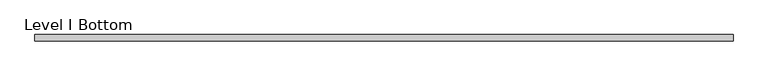
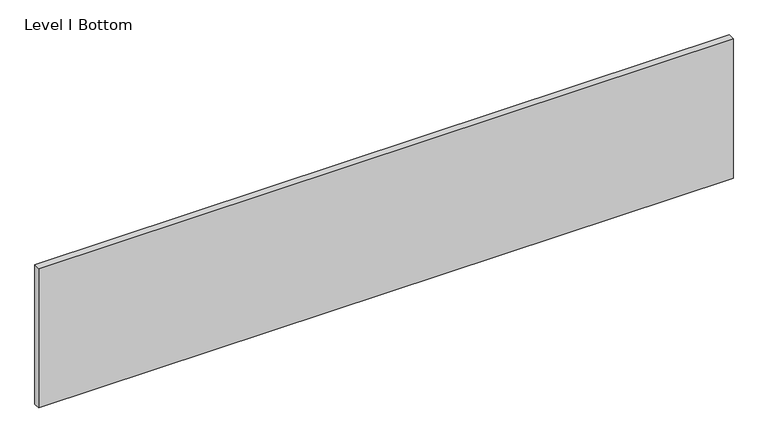
"""IFC4 building model written with IfcOpenShell, lengths in millimetres: proxy geometry, Level I Bottom."""

import ifcopenshell
import ifcopenshell.guid

model = None  # the IFC model being written
_history = None  # IfcOwnerHistory: only IFC2X3 demands one
_inside = {}  # id of a spatial element -> (the spatial element, [elements in it])
_under = {}  # id of a project, library or spatial element -> (it, [spatial elements below it])
_declared = {}  # id of a project -> (the project, [libraries it declares])
_typed = {}  # id of a type object -> (the type object, [elements of that type])
_made_of = {}  # id of a material, layer set ... -> (it, [elements and type objects made of it])


def new_model(schema):
    """Start an empty IFC model of exactly this schema.

    Asked for "IFC4X3", IfcOpenShell would pick the latest addendum, in which some entities
    have other attributes; the version numbers below select the first issue.
    IFC2X3 requires an IfcOwnerHistory on every rooted entity: one is made here for all.
    """
    global model, _history
    if schema == "IFC4X3":
        model = ifcopenshell.file(schema_version=(4, 3, 0, 0))
    else:
        model = ifcopenshell.file(schema=schema)
    _inside.clear()
    _under.clear()
    _declared.clear()
    _typed.clear()
    _made_of.clear()
    _history = None
    if model.schema == "IFC2X3":
        org = make("IfcOrganization", Name="unknown")
        user = make(
            "IfcPersonAndOrganization",
            ThePerson=make("IfcPerson", FamilyName="unknown"),
            TheOrganization=org,
        )
        app = make(
            "IfcApplication",
            ApplicationDeveloper=org,
            Version="unknown",
            ApplicationFullName="unknown",
            ApplicationIdentifier="unknown",
        )
        _history = make(
            "IfcOwnerHistory",
            OwningUser=user,
            OwningApplication=app,
            ChangeAction="ADDED",
            CreationDate=0,
        )
    return model


def make(cls, **values):
    """One entity of the class cls with the attributes given. An attribute that is None is left unset."""
    return model.create_entity(
        cls, **{name: value for name, value in values.items() if value is not None}
    )


def rooted(cls, **values):
    """An entity with a GlobalId (a new one), such as an element, a storey or a relation."""
    return make(cls, GlobalId=ifcopenshell.guid.new(), OwnerHistory=_history, **values)


def si_unit(unit_type, name, prefix=None):
    """IfcSIUnit, for example si_unit("LENGTHUNIT", "METRE", prefix="MILLI")."""
    return make("IfcSIUnit", UnitType=unit_type, Prefix=prefix, Name=name)


def assignment(units):
    """IfcUnitAssignment: the units of a project."""
    return None if units is None else make("IfcUnitAssignment", Units=units)


def point(xyz):
    """IfcCartesianPoint."""
    return None if xyz is None else make("IfcCartesianPoint", Coordinates=xyz)


def direction(xyz):
    """IfcDirection."""
    return None if xyz is None else make("IfcDirection", DirectionRatios=xyz)


def frame(location, z_axis=None, x_axis=None):
    """IfcAxis2Placement3D, a coordinate frame: its origin and axes. An axis left out is left unset."""
    return make(
        "IfcAxis2Placement3D",
        Location=point(location),
        Axis=direction(z_axis),
        RefDirection=direction(x_axis),
    )


def origin():
    """The frame at (0, 0, 0) with its axes left unset."""
    return frame((0.0, 0.0, 0.0))


def place(relative_to, where):
    """IfcLocalPlacement: puts the frame where relative to a parent placement (None: the world)."""
    return make(
        "IfcLocalPlacement", PlacementRelTo=relative_to, RelativePlacement=where
    )


def context(
    kind, dimensions, precision=None, world=None, true_north=None, identifier=None
):
    """IfcGeometricRepresentationContext, for example the 3D "Model" context."""
    return make(
        "IfcGeometricRepresentationContext",
        ContextIdentifier=identifier,
        ContextType=kind,
        CoordinateSpaceDimension=dimensions,
        Precision=precision,
        WorldCoordinateSystem=world,
        TrueNorth=true_north,
    )


def project(units=None, contexts=None):
    """IfcProject with its units and contexts."""
    return rooted(
        "IfcProject",
        Name="project",
        RepresentationContexts=contexts,
        UnitsInContext=assignment(units),
    )


def spatial(cls, under=None, at=None, **own):
    """A site, building, storey or space (cls), placed at a placement, below another one or the project."""
    s = rooted(cls, ObjectPlacement=at, **own)
    if under is not None:
        _under.setdefault(under.id(), (under, []))[1].append(s)
    return s


def polyline(points):
    """IfcPolyline through the points."""
    return make("IfcPolyline", Points=[point(p) for p in points])


def outline(outer, holes=None, kind="AREA"):
    """IfcArbitraryClosedProfileDef: a profile drawn as a closed curve; with holes, ...WithVoids."""
    if holes is None:
        return make("IfcArbitraryClosedProfileDef", ProfileType=kind, OuterCurve=outer)
    return make(
        "IfcArbitraryProfileDefWithVoids",
        ProfileType=kind,
        OuterCurve=outer,
        InnerCurves=holes,
    )


def extrude(swept, where, along, depth):
    """IfcExtrudedAreaSolid: the profile swept, set in the frame where, extruded along a direction by depth."""
    return make(
        "IfcExtrudedAreaSolid",
        SweptArea=swept,
        Position=where,
        ExtrudedDirection=direction(along),
        Depth=depth,
    )


def shape(context_of_items, identifier, shape_type, items):
    """IfcShapeRepresentation: the items that make up one representation, for example the "Body"."""
    return make(
        "IfcShapeRepresentation",
        ContextOfItems=context_of_items,
        RepresentationIdentifier=identifier,
        RepresentationType=shape_type,
        Items=items,
    )


def source(mapping_origin, context_of_items, identifier, shape_type, items):
    """IfcRepresentationMap: a shape defined once, which mapped items show again and again."""
    return make(
        "IfcRepresentationMap",
        MappingOrigin=mapping_origin,
        MappedRepresentation=shape(context_of_items, identifier, shape_type, items),
    )


def transform(
    local_origin,
    x_axis=None,
    y_axis=None,
    z_axis=None,
    scale=None,
    scale2=None,
    scale3=None,
    uniform=True,
):
    """IfcCartesianTransformationOperator3D, or its non-uniform kind. x_axis, y_axis, z_axis: its Axis1, 2, 3."""
    if uniform:
        return make(
            "IfcCartesianTransformationOperator3D",
            Axis1=direction(x_axis),
            Axis2=direction(y_axis),
            LocalOrigin=point(local_origin),
            Scale=scale,
            Axis3=direction(z_axis),
        )
    return make(
        "IfcCartesianTransformationOperator3DnonUniform",
        Axis1=direction(x_axis),
        Axis2=direction(y_axis),
        LocalOrigin=point(local_origin),
        Scale=scale,
        Axis3=direction(z_axis),
        Scale2=scale2,
        Scale3=scale3,
    )


def mapped(mapping_source, mapping_target):
    """IfcMappedItem: shows the shape of a source again, moved by a transform."""
    return make(
        "IfcMappedItem", MappingSource=mapping_source, MappingTarget=mapping_target
    )


def made_of(thing, what):
    """Note that an element or type object is made of a material, layer set ...; save() writes the relation."""
    if what is not None:
        _made_of.setdefault(what.id(), (what, []))[1].append(thing)
    return thing


def element(
    cls,
    number,
    at=None,
    inside=None,
    cuts=None,
    type_object=None,
    material=None,
    context=None,
    identifier="Body",
    shape_type=None,
    held_by="IfcProductDefinitionShape",
    body=None,
    shapes=None,
    **own,
):
    """One element of the class cls, such as IfcWall. Its Tag is "e" and its number.

    at: its placement. inside: the storey or other place that contains it. cuts: it is an
    opening in that element (IfcRelVoidsElement). A single representation is given by context,
    identifier, shape_type and body (its items); several are given by shapes. held_by: the class
    of the entity that holds the representations. save() writes the other relations.
    """
    e = rooted(cls, Tag="e%d" % number, ObjectPlacement=at, **own)
    if body is not None:
        shapes = [shape(context, identifier, shape_type, body)]
    if shapes is not None:
        e.Representation = make(held_by, Representations=shapes)
    if inside is not None:
        _inside.setdefault(inside.id(), (inside, []))[1].append(e)
    if cuts is not None:
        rooted(
            "IfcRelVoidsElement", RelatingBuildingElement=cuts, RelatedOpeningElement=e
        )
    if type_object is not None:
        _typed.setdefault(type_object.id(), (type_object, []))[1].append(e)
    return made_of(e, material)


def aggregate(whole, parts):
    """IfcRelAggregates: a whole, such as a stair, and the parts it consists of."""
    return rooted("IfcRelAggregates", RelatingObject=whole, RelatedObjects=parts)


def save(model, path):
    """Write the relations noted so far, then the file.

    IfcRelAggregates (storeys below a building ...), IfcRelContainedInSpatialStructure (elements
    in a storey), IfcRelDefinesByType, IfcRelAssociatesMaterial and IfcRelDeclares: one each for
    every whole, place, type object, material and project.
    """
    for whole, parts in _under.values():
        aggregate(whole, parts)
    for where, things in _inside.values():
        rooted(
            "IfcRelContainedInSpatialStructure",
            RelatedElements=things,
            RelatingStructure=where,
        )
    for kind, things in _typed.values():
        rooted("IfcRelDefinesByType", RelatedObjects=things, RelatingType=kind)
    for what, things in _made_of.values():
        rooted("IfcRelAssociatesMaterial", RelatedObjects=things, RelatingMaterial=what)
    for by, libraries in _declared.values():
        rooted("IfcRelDeclares", RelatingContext=by, RelatedDefinitions=libraries)
    model.write(path)


def level_i_bottom_1aac6edf(model_context):
    return source(origin(), model_context, "Body", "SweptSolid", [
        extrude(outline(polyline([(1012.8305563, -9.525), (-1012.8305562, -9.525), (-1012.8305562, 9.525), (1012.8305563, 9.525), (1012.8305563, -9.525)])), frame((0.0, 0.0, 3.175), z_axis=(0.0, 0.0, 1.0), x_axis=(1.0, 0.0, 0.0)), (0.0, 0.0, 1.0), 429.768),
    ])


if __name__ == "__main__":
    model = new_model("IFC4")
    model_context = context("Model", 3, world=origin())
    ifc_project = project(units=[si_unit("LENGTHUNIT", "METRE", prefix="MILLI")], contexts=[model_context])
    site = spatial("IfcSite", under=ifc_project)
    building = spatial("IfcBuilding", under=site)
    placement = place(None, origin())
    level_i_bottom_shape = level_i_bottom_1aac6edf(model_context)
    element("IfcBuildingElementProxy", 1, Name="Level I Bottom", ObjectType="Level I Bottom", at=placement, inside=building, context=model_context, shape_type="MappedRepresentation", body=[
        mapped(level_i_bottom_shape, transform((0.0, 0.0, 0.0), x_axis=(1.0, 0.0, 0.0), y_axis=(0.0, 1.0, 0.0), z_axis=(0.0, 0.0, 1.0))),
    ])
    save(model, "model.ifc")
